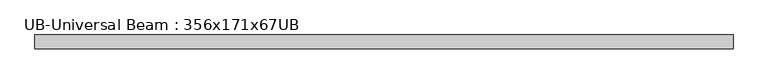
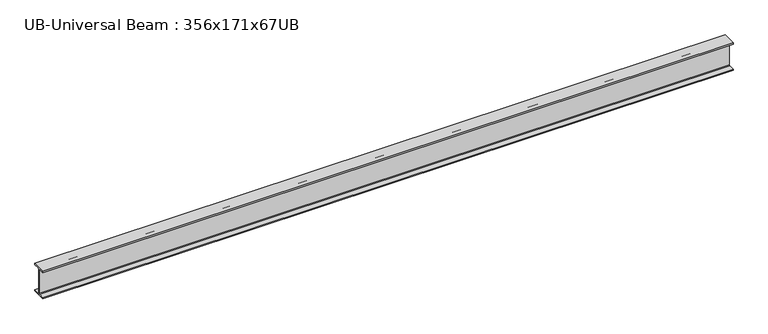
"""IFC4 building model written with IfcOpenShell, lengths in millimetres: beam geometry, UB-Universal Beam : 356x171x67UB."""

from ifc_helpers import new_model, si_unit, point, frame, frame_2d, origin, place, context, project, spatial, polyline, circle_curve, trimmed, segment, composite_curve, outline, extrude, source, transform, mapped, element, save


def ub_universal_beam_356x171x67ub_ddf846dd(model_context):
    return source(origin(), model_context, "Body", "SweptSolid", [
        extrude(outline(composite_curve([segment(polyline([(86.6, -166.0), (86.6, -181.7), (-86.6, -181.7), (-86.6, -166.0), (-14.75, -166.0)]), True, "CONTINUOUS"), segment(trimmed(circle_curve(frame_2d((-14.75, -155.8)), 10.2), [point((-14.75, -166.0))], [point((-4.55, -155.8))], True, "CARTESIAN"), True, "CONTINUOUS"), segment(polyline([(-4.55, -155.8), (-4.55, 155.8)]), True, "CONTINUOUS"), segment(trimmed(circle_curve(frame_2d((-14.75, 155.8)), 10.2), [point((-4.55, 155.8))], [point((-14.75, 166.0))], True, "CARTESIAN"), True, "CONTINUOUS"), segment(polyline([(-14.75, 166.0), (-86.6, 166.0), (-86.6, 181.7), (86.6, 181.7), (86.6, 166.0), (14.75, 166.0)]), True, "CONTINUOUS"), segment(trimmed(circle_curve(frame_2d((14.75, 155.8)), 10.2), [point((14.75, 166.0))], [point((4.55, 155.8))], True, "CARTESIAN"), True, "CONTINUOUS"), segment(polyline([(4.55, 155.8), (4.55, -155.8)]), True, "CONTINUOUS"), segment(trimmed(circle_curve(frame_2d((14.75, -155.8)), 10.2), [point((4.55, -155.8))], [point((14.75, -166.0))], True, "CARTESIAN"), True, "CONTINUOUS"), segment(polyline([(14.75, -166.0), (86.6, -166.0)]), True, "CONTINUOUS")], self_intersect=False)), frame((-4320.2138428, 0.0, 0.0), z_axis=(1.0, 0.0, 0.0), x_axis=(0.0, 1.0, 0.0)), (0.0, 0.0, 1.0), 8619.2972909),
    ])


if __name__ == "__main__":
    model = new_model("IFC4")
    model_context = context("Model", 3, world=origin())
    ifc_project = project(units=[si_unit("LENGTHUNIT", "METRE", prefix="MILLI")], contexts=[model_context])
    site = spatial("IfcSite", under=ifc_project)
    building = spatial("IfcBuilding", under=site)
    placement = place(None, origin())
    ub_universal_beam_356x171x67ub_shape = ub_universal_beam_356x171x67ub_ddf846dd(model_context)
    element("IfcBeam", 1, ObjectType="UB-Universal Beam : 356x171x67UB", at=placement, inside=building, context=model_context, shape_type="MappedRepresentation", body=[
        mapped(ub_universal_beam_356x171x67ub_shape, transform((0.0, 0.0, 0.0), x_axis=(1.0, 0.0, 0.0), y_axis=(0.0, 1.0, 0.0), z_axis=(0.0, 0.0, 1.0))),
    ])
    save(model, "model.ifc")
